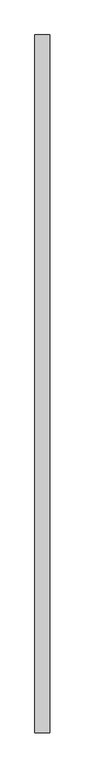
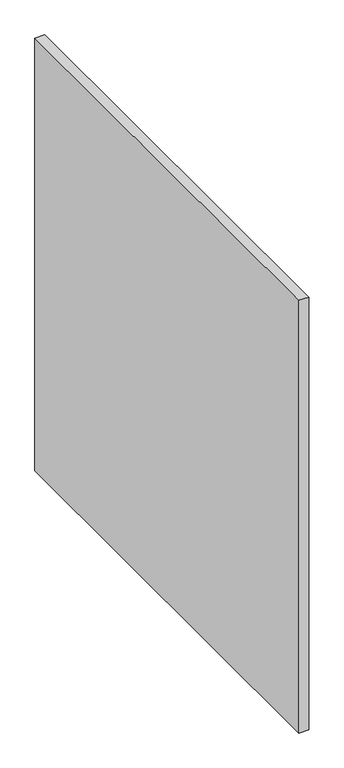
"""IFC4 building model written with IfcOpenShell, lengths in millimetres: proxy geometry."""

from ifc_helpers import new_model, si_unit, origin, origin_with_axes, place, context, project, spatial, polyline, outline, extrude, source, transform, mapped, element, save


def generic_models_fb019201(model_context):
    return source(origin(), model_context, "Body", "SweptSolid", [
        extrude(outline(polyline([(60.0, 2800.0), (60.0, 0.0), (0.0, 0.0), (0.0, 2800.0), (60.0, 2800.0)])), origin_with_axes(), (0.0, 0.0, 1.0), 2800.0),
    ])


if __name__ == "__main__":
    model = new_model("IFC4")
    model_context = context("Model", 3, world=origin())
    ifc_project = project(units=[si_unit("LENGTHUNIT", "METRE", prefix="MILLI")], contexts=[model_context])
    site = spatial("IfcSite", under=ifc_project)
    building = spatial("IfcBuilding", under=site)
    placement = place(None, origin())
    generic_models_shape = generic_models_fb019201(model_context)
    element("IfcBuildingElementProxy", 1, Name="Generic Models", at=placement, inside=building, context=model_context, shape_type="MappedRepresentation", body=[
        mapped(generic_models_shape, transform((0.0, 0.0, 0.0), x_axis=(1.0, 0.0, 0.0), y_axis=(0.0, 1.0, 0.0), z_axis=(0.0, 0.0, 1.0))),
    ])
    save(model, "model.ifc")
